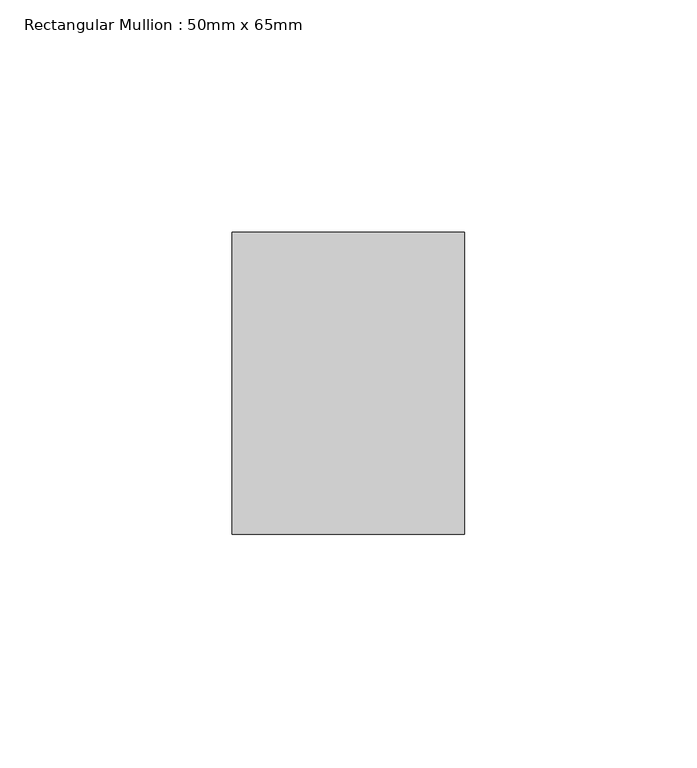
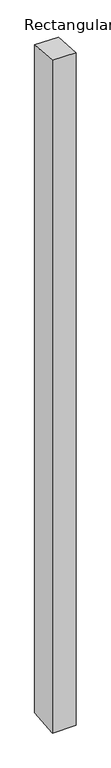
"""IFC4 building model written with IfcOpenShell, lengths in millimetres: member geometry, Rectangular Mullion : 50mm x 65mm."""

from ifc_helpers import new_model, si_unit, origin, place, context, project, spatial, faceted_brep, source, transform, mapped, element, save


def rectangular_mullion_50mm_x_65mm_9c29cb29(model_context):
    return source(origin(), model_context, "Body", "Brep", [
        faceted_brep([(-25.0, 32.5, -2.4319432), (25.0, 32.5, -2.4319562), (25.0, 32.5, -1497.0088974), (-25.0, 32.5, -1497.0089134), (-25.0, -32.5, 2.4319562), (-25.0, -32.5, -1502.991226), (25.0, -32.5, 2.4319432), (25.0, -32.5, -1502.9912101)], [[[0, 1, 2, 3]], [[4, 0, 3, 5]], [[6, 4, 5, 7]], [[1, 6, 7, 2]], [[1, 0, 4, 6]], [[2, 7, 5, 3]]]),
    ])


if __name__ == "__main__":
    model = new_model("IFC4")
    model_context = context("Model", 3, world=origin())
    ifc_project = project(units=[si_unit("LENGTHUNIT", "METRE", prefix="MILLI")], contexts=[model_context])
    site = spatial("IfcSite", under=ifc_project)
    building = spatial("IfcBuilding", under=site)
    placement = place(None, origin())
    rectangular_mullion_50mm_x_65mm_shape = rectangular_mullion_50mm_x_65mm_9c29cb29(model_context)
    element("IfcMember", 1, ObjectType="Rectangular Mullion : 50mm x 65mm", at=placement, inside=building, context=model_context, shape_type="MappedRepresentation", body=[
        mapped(rectangular_mullion_50mm_x_65mm_shape, transform((0.0, 0.0, 0.0), x_axis=(1.0, 0.0, 0.0), y_axis=(0.0, 1.0, 0.0), z_axis=(0.0, 0.0, 1.0))),
    ])
    save(model, "model.ifc")
